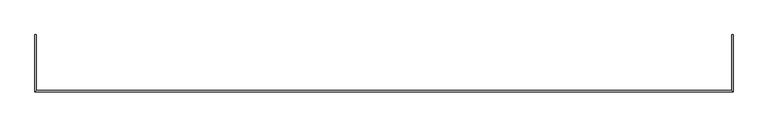
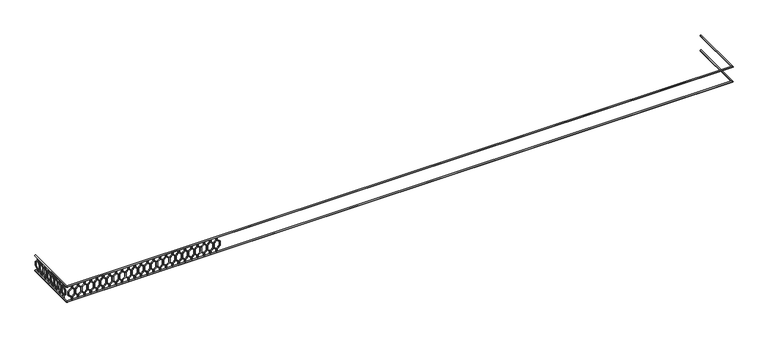
"""IFC4 building model written with IfcOpenShell, lengths in millimetres: railing geometry."""

from ifc_helpers import new_model, si_unit, frame, origin, place, context, project, spatial, polyline, circle_curve, ellipse_curve, outline, extrude, source, transform, mapped, element, save
from ifc_brep_helpers import plane_surface, cylinder_surface, advanced_brep


def railing_7cd9ae68(model_context):
    return source(origin(), model_context, "Body", "SolidModel", [
        advanced_brep(
        [(42720.0112841, -15016.8920513, 28882.5128869), (42760.0112841, -15016.8920513, 28882.5128869), (42760.0112841, -16756.8920513, 28882.5128869), (42720.0112841, -16716.8920513, 28882.5128869), (21560.0112841, -16756.8920513, 28882.5128869), (21600.0112841, -16716.8920513, 28882.5128869), (21600.0112841, -15016.8920513, 28882.5128869), (21560.0112841, -15016.8920513, 28882.5128869)],
        [
            (0, 1, circle_curve(frame((42740.0112841, -15016.8920513, 28882.5128869), z_axis=(0.0, 1.0, 0.0), x_axis=(1.0, 0.0, 0.0)), 20.0)),
            (1, 0, circle_curve(frame((42740.0112841, -15016.8920513, 28882.5128869), z_axis=(0.0, 1.0, 0.0), x_axis=(1.0, 0.0, 0.0)), 20.0)),
            (1, 2),
            (2, 3, ellipse_curve(frame((42740.0112841, -16736.8920513, 28882.5128869), z_axis=(0.7071067811865464, 0.7071067811865487, 0.0), x_axis=(-0.7071067811865487, 0.7071067811865464, 0.0)), 28.2842712, 20.0)),
            (3, 0),
            (3, 2, ellipse_curve(frame((42740.0112841, -16736.8920513, 28882.5128869), z_axis=(0.7071067811865464, 0.7071067811865487, 0.0), x_axis=(-0.7071067811865487, 0.7071067811865464, 0.0)), 28.2842712, 20.0)),
            (2, 4),
            (4, 5, ellipse_curve(frame((21580.0112841, -16736.8920513, 28882.5128869), z_axis=(0.7071067811865496, -0.7071067811865455, 0.0), x_axis=(0.7071067811865455, 0.7071067811865496, 0.0)), 28.2842712, 20.0)),
            (5, 3),
            (5, 4, ellipse_curve(frame((21580.0112841, -16736.8920513, 28882.5128869), z_axis=(0.7071067811865496, -0.7071067811865455, 0.0), x_axis=(0.7071067811865455, 0.7071067811865496, 0.0)), 28.2842712, 20.0)),
            (6, 7, circle_curve(frame((21580.0112841, -15016.8920513, 28882.5128869), z_axis=(0.0, 1.0, 0.0), x_axis=(-1.0, 0.0, 0.0)), 20.0)),
            (7, 6, circle_curve(frame((21580.0112841, -15016.8920513, 28882.5128869), z_axis=(0.0, 1.0, 0.0), x_axis=(-1.0, 0.0, 0.0)), 20.0)),
            (4, 7),
            (6, 5),
        ],
        [
            plane_surface(frame((42740.0112841, -15016.8920513, 28902.5128869), z_axis=(0.0, 1.0, 0.0), x_axis=(0.0, 0.0, -1.0))),
            cylinder_surface(frame((42740.0112841, -15016.8920513, 28882.5128869), z_axis=(0.0, 1.0, 0.0), x_axis=(1.0, 0.0, 0.0)), 20.0),
            cylinder_surface(frame((42740.0112841, -16736.8920513, 28882.5128869), z_axis=(1.0, 0.0, 0.0), x_axis=(0.0, -1.0, 0.0)), 20.0),
            plane_surface(frame((21580.0112841, -15016.8920513, 28902.5128869), z_axis=(0.0, 1.0, 0.0), x_axis=(0.0, 0.0, 1.0))),
            cylinder_surface(frame((21580.0112841, -16736.8920513, 28882.5128869), z_axis=(0.0, -1.0, 0.0), x_axis=(-1.0, 0.0, 0.0)), 20.0),
        ],
        [
            (0, [[1, 2]]),
            (1, [[-2, 3, 4, 5]]),
            (1, [[-1, -5, 6, -3]]),
            (2, [[-4, 7, 8, 9]]),
            (2, [[-6, -9, 10, -7]]),
            (3, [[11, 12]]),
            (4, [[-8, 13, -11, 14]]),
            (4, [[-10, -14, -12, -13]]),
        ],
    ),
        advanced_brep(
        [(42720.0112841, -15016.8920513, 28382.5128869), (42760.0112841, -15016.8920513, 28382.5128869), (42760.0112841, -16756.8920513, 28382.5128869), (42720.0112841, -16716.8920513, 28382.5128869), (21560.0112841, -16756.8920513, 28382.5128869), (21600.0112841, -16716.8920513, 28382.5128869), (21600.0112841, -15016.8920513, 28382.5128869), (21560.0112841, -15016.8920513, 28382.5128869)],
        [
            (0, 1, circle_curve(frame((42740.0112841, -15016.8920513, 28382.5128869), z_axis=(0.0, 1.0, 0.0), x_axis=(1.0, 0.0, 0.0)), 20.0)),
            (1, 0, circle_curve(frame((42740.0112841, -15016.8920513, 28382.5128869), z_axis=(0.0, 1.0, 0.0), x_axis=(1.0, 0.0, 0.0)), 20.0)),
            (1, 2),
            (2, 3, ellipse_curve(frame((42740.0112841, -16736.8920513, 28382.5128869), z_axis=(0.7071067811865464, 0.7071067811865487, 0.0), x_axis=(-0.7071067811865487, 0.7071067811865464, 0.0)), 28.2842712, 20.0)),
            (3, 0),
            (3, 2, ellipse_curve(frame((42740.0112841, -16736.8920513, 28382.5128869), z_axis=(0.7071067811865464, 0.7071067811865487, 0.0), x_axis=(-0.7071067811865487, 0.7071067811865464, 0.0)), 28.2842712, 20.0)),
            (2, 4),
            (4, 5, ellipse_curve(frame((21580.0112841, -16736.8920513, 28382.5128869), z_axis=(0.7071067811865496, -0.7071067811865455, 0.0), x_axis=(0.7071067811865455, 0.7071067811865496, 0.0)), 28.2842712, 20.0)),
            (5, 3),
            (5, 4, ellipse_curve(frame((21580.0112841, -16736.8920513, 28382.5128869), z_axis=(0.7071067811865496, -0.7071067811865455, 0.0), x_axis=(0.7071067811865455, 0.7071067811865496, 0.0)), 28.2842712, 20.0)),
            (6, 7, circle_curve(frame((21580.0112841, -15016.8920513, 28382.5128869), z_axis=(0.0, 1.0, 0.0), x_axis=(-1.0, 0.0, 0.0)), 20.0)),
            (7, 6, circle_curve(frame((21580.0112841, -15016.8920513, 28382.5128869), z_axis=(0.0, 1.0, 0.0), x_axis=(-1.0, 0.0, 0.0)), 20.0)),
            (4, 7),
            (6, 5),
        ],
        [
            plane_surface(frame((42740.0112841, -15016.8920513, 28402.5128869), z_axis=(0.0, 1.0, 0.0), x_axis=(0.0, 0.0, -1.0))),
            cylinder_surface(frame((42740.0112841, -15016.8920513, 28382.5128869), z_axis=(0.0, 1.0, 0.0), x_axis=(1.0, 0.0, 0.0)), 20.0),
            cylinder_surface(frame((42740.0112841, -16736.8920513, 28382.5128869), z_axis=(1.0, 0.0, 0.0), x_axis=(0.0, -1.0, 0.0)), 20.0),
            plane_surface(frame((21580.0112841, -15016.8920513, 28402.5128869), z_axis=(0.0, 1.0, 0.0), x_axis=(0.0, 0.0, 1.0))),
            cylinder_surface(frame((21580.0112841, -16736.8920513, 28382.5128869), z_axis=(0.0, -1.0, 0.0), x_axis=(-1.0, 0.0, 0.0)), 20.0),
        ],
        [
            (0, [[1, 2]]),
            (1, [[-2, 3, 4, 5]]),
            (1, [[-1, -5, 6, -3]]),
            (2, [[-4, 7, 8, 9]]),
            (2, [[-6, -9, 10, -7]]),
            (3, [[11, 12]]),
            (4, [[-8, 13, -11, 14]]),
            (4, [[-10, -14, -12, -13]]),
        ],
    ),
        extrude(outline(polyline([(-15141.8920513, 28862.5128869), (-15121.8920513, 28862.5128869), (-15121.8920513, 28782.5128869), (-15022.897102, 28702.5128869), (-15022.897102, 28562.5128869), (-15121.8920513, 28482.5128869), (-15121.8920513, 28402.5128869), (-15141.8920513, 28402.5128869), (-15141.8920513, 28492.0647319), (-15042.897102, 28572.0647319), (-15042.897102, 28692.9610419), (-15141.8920513, 28772.9610419), (-15141.8920513, 28862.5128869)])), frame((21575.0112841, 0.0, 0.0), z_axis=(1.0, 0.0, 0.0), x_axis=(0.0, 1.0, 0.0)), (0.0, 0.0, 1.0), 20.0),
        extrude(outline(polyline([(-15141.8920513, 28862.5128869), (-15141.8920513, 28772.9610419), (-15240.8870007, 28692.9610419), (-15240.8870007, 28572.0647319), (-15141.8920513, 28492.0647319), (-15141.8920513, 28402.5128869), (-15161.8920513, 28402.5128869), (-15161.8920513, 28482.5128869), (-15260.8870007, 28562.5128869), (-15260.8870007, 28702.5128869), (-15161.8920513, 28782.5128869), (-15161.8920513, 28862.5128869), (-15141.8920513, 28862.5128869)])), frame((21575.0112841, 0.0, 0.0), z_axis=(1.0, 0.0, 0.0), x_axis=(0.0, 1.0, 0.0)), (0.0, 0.0, 1.0), 20.0),
        extrude(outline(polyline([(-15341.8920513, 28862.5128869), (-15321.8920513, 28862.5128869), (-15321.8920513, 28782.5128869), (-15222.897102, 28702.5128869), (-15222.897102, 28562.5128869), (-15321.8920513, 28482.5128869), (-15321.8920513, 28402.5128869), (-15341.8920513, 28402.5128869), (-15341.8920513, 28492.0647319), (-15242.897102, 28572.0647319), (-15242.897102, 28692.9610419), (-15341.8920513, 28772.9610419), (-15341.8920513, 28862.5128869)])), frame((21575.0112841, 0.0, 0.0), z_axis=(1.0, 0.0, 0.0), x_axis=(0.0, 1.0, 0.0)), (0.0, 0.0, 1.0), 20.0),
        extrude(outline(polyline([(-15341.8920513, 28862.5128869), (-15341.8920513, 28772.9610419), (-15440.8870007, 28692.9610419), (-15440.8870007, 28572.0647319), (-15341.8920513, 28492.0647319), (-15341.8920513, 28402.5128869), (-15361.8920513, 28402.5128869), (-15361.8920513, 28482.5128869), (-15460.8870007, 28562.5128869), (-15460.8870007, 28702.5128869), (-15361.8920513, 28782.5128869), (-15361.8920513, 28862.5128869), (-15341.8920513, 28862.5128869)])), frame((21575.0112841, 0.0, 0.0), z_axis=(1.0, 0.0, 0.0), x_axis=(0.0, 1.0, 0.0)), (0.0, 0.0, 1.0), 20.0),
        extrude(outline(polyline([(-15541.8920513, 28862.5128869), (-15521.8920513, 28862.5128869), (-15521.8920513, 28782.5128869), (-15422.897102, 28702.5128869), (-15422.897102, 28562.5128869), (-15521.8920513, 28482.5128869), (-15521.8920513, 28402.5128869), (-15541.8920513, 28402.5128869), (-15541.8920513, 28492.0647319), (-15442.897102, 28572.0647319), (-15442.897102, 28692.9610419), (-15541.8920513, 28772.9610419), (-15541.8920513, 28862.5128869)])), frame((21575.0112841, 0.0, 0.0), z_axis=(1.0, 0.0, 0.0), x_axis=(0.0, 1.0, 0.0)), (0.0, 0.0, 1.0), 20.0),
        extrude(outline(polyline([(-15541.8920513, 28862.5128869), (-15541.8920513, 28772.9610419), (-15640.8870007, 28692.9610419), (-15640.8870007, 28572.0647319), (-15541.8920513, 28492.0647319), (-15541.8920513, 28402.5128869), (-15561.8920513, 28402.5128869), (-15561.8920513, 28482.5128869), (-15660.8870007, 28562.5128869), (-15660.8870007, 28702.5128869), (-15561.8920513, 28782.5128869), (-15561.8920513, 28862.5128869), (-15541.8920513, 28862.5128869)])), frame((21575.0112841, 0.0, 0.0), z_axis=(1.0, 0.0, 0.0), x_axis=(0.0, 1.0, 0.0)), (0.0, 0.0, 1.0), 20.0),
        extrude(outline(polyline([(-15741.8920513, 28862.5128869), (-15721.8920513, 28862.5128869), (-15721.8920513, 28782.5128869), (-15622.897102, 28702.5128869), (-15622.897102, 28562.5128869), (-15721.8920513, 28482.5128869), (-15721.8920513, 28402.5128869), (-15741.8920513, 28402.5128869), (-15741.8920513, 28492.0647319), (-15642.897102, 28572.0647319), (-15642.897102, 28692.9610419), (-15741.8920513, 28772.9610419), (-15741.8920513, 28862.5128869)])), frame((21575.0112841, 0.0, 0.0), z_axis=(1.0, 0.0, 0.0), x_axis=(0.0, 1.0, 0.0)), (0.0, 0.0, 1.0), 20.0),
        extrude(outline(polyline([(-15741.8920513, 28862.5128869), (-15741.8920513, 28772.9610419), (-15840.8870007, 28692.9610419), (-15840.8870007, 28572.0647319), (-15741.8920513, 28492.0647319), (-15741.8920513, 28402.5128869), (-15761.8920513, 28402.5128869), (-15761.8920513, 28482.5128869), (-15860.8870007, 28562.5128869), (-15860.8870007, 28702.5128869), (-15761.8920513, 28782.5128869), (-15761.8920513, 28862.5128869), (-15741.8920513, 28862.5128869)])), frame((21575.0112841, 0.0, 0.0), z_axis=(1.0, 0.0, 0.0), x_axis=(0.0, 1.0, 0.0)), (0.0, 0.0, 1.0), 20.0),
        extrude(outline(polyline([(-15941.8920513, 28862.5128869), (-15921.8920513, 28862.5128869), (-15921.8920513, 28782.5128869), (-15822.897102, 28702.5128869), (-15822.897102, 28562.5128869), (-15921.8920513, 28482.5128869), (-15921.8920513, 28402.5128869), (-15941.8920513, 28402.5128869), (-15941.8920513, 28492.0647319), (-15842.897102, 28572.0647319), (-15842.897102, 28692.9610419), (-15941.8920513, 28772.9610419), (-15941.8920513, 28862.5128869)])), frame((21575.0112841, 0.0, 0.0), z_axis=(1.0, 0.0, 0.0), x_axis=(0.0, 1.0, 0.0)), (0.0, 0.0, 1.0), 20.0),
        extrude(outline(polyline([(-15941.8920513, 28862.5128869), (-15941.8920513, 28772.9610419), (-16040.8870007, 28692.9610419), (-16040.8870007, 28572.0647319), (-15941.8920513, 28492.0647319), (-15941.8920513, 28402.5128869), (-15961.8920513, 28402.5128869), (-15961.8920513, 28482.5128869), (-16060.8870007, 28562.5128869), (-16060.8870007, 28702.5128869), (-15961.8920513, 28782.5128869), (-15961.8920513, 28862.5128869), (-15941.8920513, 28862.5128869)])), frame((21575.0112841, 0.0, 0.0), z_axis=(1.0, 0.0, 0.0), x_axis=(0.0, 1.0, 0.0)), (0.0, 0.0, 1.0), 20.0),
        extrude(outline(polyline([(-16141.8920513, 28862.5128869), (-16121.8920513, 28862.5128869), (-16121.8920513, 28782.5128869), (-16022.897102, 28702.5128869), (-16022.897102, 28562.5128869), (-16121.8920513, 28482.5128869), (-16121.8920513, 28402.5128869), (-16141.8920513, 28402.5128869), (-16141.8920513, 28492.0647319), (-16042.897102, 28572.0647319), (-16042.897102, 28692.9610419), (-16141.8920513, 28772.9610419), (-16141.8920513, 28862.5128869)])), frame((21575.0112841, 0.0, 0.0), z_axis=(1.0, 0.0, 0.0), x_axis=(0.0, 1.0, 0.0)), (0.0, 0.0, 1.0), 20.0),
        extrude(outline(polyline([(-16141.8920513, 28862.5128869), (-16141.8920513, 28772.9610419), (-16240.8870007, 28692.9610419), (-16240.8870007, 28572.0647319), (-16141.8920513, 28492.0647319), (-16141.8920513, 28402.5128869), (-16161.8920513, 28402.5128869), (-16161.8920513, 28482.5128869), (-16260.8870007, 28562.5128869), (-16260.8870007, 28702.5128869), (-16161.8920513, 28782.5128869), (-16161.8920513, 28862.5128869), (-16141.8920513, 28862.5128869)])), frame((21575.0112841, 0.0, 0.0), z_axis=(1.0, 0.0, 0.0), x_axis=(0.0, 1.0, 0.0)), (0.0, 0.0, 1.0), 20.0),
        extrude(outline(polyline([(-16341.8920513, 28862.5128869), (-16321.8920513, 28862.5128869), (-16321.8920513, 28782.5128869), (-16222.897102, 28702.5128869), (-16222.897102, 28562.5128869), (-16321.8920513, 28482.5128869), (-16321.8920513, 28402.5128869), (-16341.8920513, 28402.5128869), (-16341.8920513, 28492.0647319), (-16242.897102, 28572.0647319), (-16242.897102, 28692.9610419), (-16341.8920513, 28772.9610419), (-16341.8920513, 28862.5128869)])), frame((21575.0112841, 0.0, 0.0), z_axis=(1.0, 0.0, 0.0), x_axis=(0.0, 1.0, 0.0)), (0.0, 0.0, 1.0), 20.0),
        extrude(outline(polyline([(-16341.8920513, 28862.5128869), (-16341.8920513, 28772.9610419), (-16440.8870007, 28692.9610419), (-16440.8870007, 28572.0647319), (-16341.8920513, 28492.0647319), (-16341.8920513, 28402.5128869), (-16361.8920513, 28402.5128869), (-16361.8920513, 28482.5128869), (-16460.8870007, 28562.5128869), (-16460.8870007, 28702.5128869), (-16361.8920513, 28782.5128869), (-16361.8920513, 28862.5128869), (-16341.8920513, 28862.5128869)])), frame((21575.0112841, 0.0, 0.0), z_axis=(1.0, 0.0, 0.0), x_axis=(0.0, 1.0, 0.0)), (0.0, 0.0, 1.0), 20.0),
        extrude(outline(polyline([(-16541.8920513, 28862.5128869), (-16521.8920513, 28862.5128869), (-16521.8920513, 28782.5128869), (-16422.897102, 28702.5128869), (-16422.897102, 28562.5128869), (-16521.8920513, 28482.5128869), (-16521.8920513, 28402.5128869), (-16541.8920513, 28402.5128869), (-16541.8920513, 28492.0647319), (-16442.897102, 28572.0647319), (-16442.897102, 28692.9610419), (-16541.8920513, 28772.9610419), (-16541.8920513, 28862.5128869)])), frame((21575.0112841, 0.0, 0.0), z_axis=(1.0, 0.0, 0.0), x_axis=(0.0, 1.0, 0.0)), (0.0, 0.0, 1.0), 20.0),
        extrude(outline(polyline([(-16541.8920513, 28862.5128869), (-16541.8920513, 28772.9610419), (-16640.8870007, 28692.9610419), (-16640.8870007, 28572.0647319), (-16541.8920513, 28492.0647319), (-16541.8920513, 28402.5128869), (-16561.8920513, 28402.5128869), (-16561.8920513, 28482.5128869), (-16660.8870007, 28562.5128869), (-16660.8870007, 28702.5128869), (-16561.8920513, 28782.5128869), (-16561.8920513, 28862.5128869), (-16541.8920513, 28862.5128869)])), frame((21575.0112841, 0.0, 0.0), z_axis=(1.0, 0.0, 0.0), x_axis=(0.0, 1.0, 0.0)), (0.0, 0.0, 1.0), 20.0),
        extrude(outline(polyline([(28862.5128869, 21745.0112841), (28862.5128869, 21725.0112841), (28782.5128869, 21725.0112841), (28702.5128869, 21626.0163347), (28562.5128869, 21626.0163347), (28482.5128869, 21725.0112841), (28402.5128869, 21725.0112841), (28402.5128869, 21745.0112841), (28492.0647319, 21745.0112841), (28572.0647319, 21646.0163347), (28692.9610419, 21646.0163347), (28772.9610419, 21745.0112841), (28862.5128869, 21745.0112841)])), frame((0.0, -16741.8920513, 0.0), z_axis=(0.0, 1.0, 0.0), x_axis=(0.0, 0.0, 1.0)), (0.0, 0.0, 1.0), 20.0),
        extrude(outline(polyline([(28862.5128869, 21745.0112841), (28772.9610419, 21745.0112841), (28692.9610419, 21844.0062335), (28572.0647319, 21844.0062335), (28492.0647319, 21745.0112841), (28402.5128869, 21745.0112841), (28402.5128869, 21765.0112841), (28482.5128869, 21765.0112841), (28562.5128869, 21864.0062335), (28702.5128869, 21864.0062335), (28782.5128869, 21765.0112841), (28862.5128869, 21765.0112841), (28862.5128869, 21745.0112841)])), frame((0.0, -16741.8920513, 0.0), z_axis=(0.0, 1.0, 0.0), x_axis=(0.0, 0.0, 1.0)), (0.0, 0.0, 1.0), 20.0),
        extrude(outline(polyline([(28862.5128869, 21945.0112841), (28862.5128869, 21925.0112841), (28782.5128869, 21925.0112841), (28702.5128869, 21826.0163347), (28562.5128869, 21826.0163347), (28482.5128869, 21925.0112841), (28402.5128869, 21925.0112841), (28402.5128869, 21945.0112841), (28492.0647319, 21945.0112841), (28572.0647319, 21846.0163347), (28692.9610419, 21846.0163347), (28772.9610419, 21945.0112841), (28862.5128869, 21945.0112841)])), frame((0.0, -16741.8920513, 0.0), z_axis=(0.0, 1.0, 0.0), x_axis=(0.0, 0.0, 1.0)), (0.0, 0.0, 1.0), 20.0),
        extrude(outline(polyline([(28862.5128869, 21945.0112841), (28772.9610419, 21945.0112841), (28692.9610419, 22044.0062335), (28572.0647319, 22044.0062335), (28492.0647319, 21945.0112841), (28402.5128869, 21945.0112841), (28402.5128869, 21965.0112841), (28482.5128869, 21965.0112841), (28562.5128869, 22064.0062335), (28702.5128869, 22064.0062335), (28782.5128869, 21965.0112841), (28862.5128869, 21965.0112841), (28862.5128869, 21945.0112841)])), frame((0.0, -16741.8920513, 0.0), z_axis=(0.0, 1.0, 0.0), x_axis=(0.0, 0.0, 1.0)), (0.0, 0.0, 1.0), 20.0),
        extrude(outline(polyline([(28862.5128869, 22145.0112841), (28862.5128869, 22125.0112841), (28782.5128869, 22125.0112841), (28702.5128869, 22026.0163347), (28562.5128869, 22026.0163347), (28482.5128869, 22125.0112841), (28402.5128869, 22125.0112841), (28402.5128869, 22145.0112841), (28492.0647319, 22145.0112841), (28572.0647319, 22046.0163347), (28692.9610419, 22046.0163347), (28772.9610419, 22145.0112841), (28862.5128869, 22145.0112841)])), frame((0.0, -16741.8920513, 0.0), z_axis=(0.0, 1.0, 0.0), x_axis=(0.0, 0.0, 1.0)), (0.0, 0.0, 1.0), 20.0),
        extrude(outline(polyline([(28862.5128869, 22145.0112841), (28772.9610419, 22145.0112841), (28692.9610419, 22244.0062335), (28572.0647319, 22244.0062335), (28492.0647319, 22145.0112841), (28402.5128869, 22145.0112841), (28402.5128869, 22165.0112841), (28482.5128869, 22165.0112841), (28562.5128869, 22264.0062335), (28702.5128869, 22264.0062335), (28782.5128869, 22165.0112841), (28862.5128869, 22165.0112841), (28862.5128869, 22145.0112841)])), frame((0.0, -16741.8920513, 0.0), z_axis=(0.0, 1.0, 0.0), x_axis=(0.0, 0.0, 1.0)), (0.0, 0.0, 1.0), 20.0),
        extrude(outline(polyline([(28862.5128869, 22345.0112841), (28862.5128869, 22325.0112841), (28782.5128869, 22325.0112841), (28702.5128869, 22226.0163347), (28562.5128869, 22226.0163347), (28482.5128869, 22325.0112841), (28402.5128869, 22325.0112841), (28402.5128869, 22345.0112841), (28492.0647319, 22345.0112841), (28572.0647319, 22246.0163347), (28692.9610419, 22246.0163347), (28772.9610419, 22345.0112841), (28862.5128869, 22345.0112841)])), frame((0.0, -16741.8920513, 0.0), z_axis=(0.0, 1.0, 0.0), x_axis=(0.0, 0.0, 1.0)), (0.0, 0.0, 1.0), 20.0),
        extrude(outline(polyline([(28862.5128869, 22345.0112841), (28772.9610419, 22345.0112841), (28692.9610419, 22444.0062335), (28572.0647319, 22444.0062335), (28492.0647319, 22345.0112841), (28402.5128869, 22345.0112841), (28402.5128869, 22365.0112841), (28482.5128869, 22365.0112841), (28562.5128869, 22464.0062335), (28702.5128869, 22464.0062335), (28782.5128869, 22365.0112841), (28862.5128869, 22365.0112841), (28862.5128869, 22345.0112841)])), frame((0.0, -16741.8920513, 0.0), z_axis=(0.0, 1.0, 0.0), x_axis=(0.0, 0.0, 1.0)), (0.0, 0.0, 1.0), 20.0),
        extrude(outline(polyline([(28862.5128869, 22545.0112841), (28862.5128869, 22525.0112841), (28782.5128869, 22525.0112841), (28702.5128869, 22426.0163347), (28562.5128869, 22426.0163347), (28482.5128869, 22525.0112841), (28402.5128869, 22525.0112841), (28402.5128869, 22545.0112841), (28492.0647319, 22545.0112841), (28572.0647319, 22446.0163347), (28692.9610419, 22446.0163347), (28772.9610419, 22545.0112841), (28862.5128869, 22545.0112841)])), frame((0.0, -16741.8920513, 0.0), z_axis=(0.0, 1.0, 0.0), x_axis=(0.0, 0.0, 1.0)), (0.0, 0.0, 1.0), 20.0),
        extrude(outline(polyline([(28862.5128869, 22545.0112841), (28772.9610419, 22545.0112841), (28692.9610419, 22644.0062335), (28572.0647319, 22644.0062335), (28492.0647319, 22545.0112841), (28402.5128869, 22545.0112841), (28402.5128869, 22565.0112841), (28482.5128869, 22565.0112841), (28562.5128869, 22664.0062335), (28702.5128869, 22664.0062335), (28782.5128869, 22565.0112841), (28862.5128869, 22565.0112841), (28862.5128869, 22545.0112841)])), frame((0.0, -16741.8920513, 0.0), z_axis=(0.0, 1.0, 0.0), x_axis=(0.0, 0.0, 1.0)), (0.0, 0.0, 1.0), 20.0),
        extrude(outline(polyline([(28862.5128869, 22745.0112841), (28862.5128869, 22725.0112841), (28782.5128869, 22725.0112841), (28702.5128869, 22626.0163347), (28562.5128869, 22626.0163347), (28482.5128869, 22725.0112841), (28402.5128869, 22725.0112841), (28402.5128869, 22745.0112841), (28492.0647319, 22745.0112841), (28572.0647319, 22646.0163347), (28692.9610419, 22646.0163347), (28772.9610419, 22745.0112841), (28862.5128869, 22745.0112841)])), frame((0.0, -16741.8920513, 0.0), z_axis=(0.0, 1.0, 0.0), x_axis=(0.0, 0.0, 1.0)), (0.0, 0.0, 1.0), 20.0),
        extrude(outline(polyline([(28862.5128869, 22745.0112841), (28772.9610419, 22745.0112841), (28692.9610419, 22844.0062335), (28572.0647319, 22844.0062335), (28492.0647319, 22745.0112841), (28402.5128869, 22745.0112841), (28402.5128869, 22765.0112841), (28482.5128869, 22765.0112841), (28562.5128869, 22864.0062335), (28702.5128869, 22864.0062335), (28782.5128869, 22765.0112841), (28862.5128869, 22765.0112841), (28862.5128869, 22745.0112841)])), frame((0.0, -16741.8920513, 0.0), z_axis=(0.0, 1.0, 0.0), x_axis=(0.0, 0.0, 1.0)), (0.0, 0.0, 1.0), 20.0),
        extrude(outline(polyline([(28862.5128869, 22945.0112841), (28862.5128869, 22925.0112841), (28782.5128869, 22925.0112841), (28702.5128869, 22826.0163347), (28562.5128869, 22826.0163347), (28482.5128869, 22925.0112841), (28402.5128869, 22925.0112841), (28402.5128869, 22945.0112841), (28492.0647319, 22945.0112841), (28572.0647319, 22846.0163347), (28692.9610419, 22846.0163347), (28772.9610419, 22945.0112841), (28862.5128869, 22945.0112841)])), frame((0.0, -16741.8920513, 0.0), z_axis=(0.0, 1.0, 0.0), x_axis=(0.0, 0.0, 1.0)), (0.0, 0.0, 1.0), 20.0),
        extrude(outline(polyline([(28862.5128869, 22945.0112841), (28772.9610419, 22945.0112841), (28692.9610419, 23044.0062335), (28572.0647319, 23044.0062335), (28492.0647319, 22945.0112841), (28402.5128869, 22945.0112841), (28402.5128869, 22965.0112841), (28482.5128869, 22965.0112841), (28562.5128869, 23064.0062335), (28702.5128869, 23064.0062335), (28782.5128869, 22965.0112841), (28862.5128869, 22965.0112841), (28862.5128869, 22945.0112841)])), frame((0.0, -16741.8920513, 0.0), z_axis=(0.0, 1.0, 0.0), x_axis=(0.0, 0.0, 1.0)), (0.0, 0.0, 1.0), 20.0),
        extrude(outline(polyline([(28862.5128869, 23145.0112841), (28862.5128869, 23125.0112841), (28782.5128869, 23125.0112841), (28702.5128869, 23026.0163347), (28562.5128869, 23026.0163347), (28482.5128869, 23125.0112841), (28402.5128869, 23125.0112841), (28402.5128869, 23145.0112841), (28492.0647319, 23145.0112841), (28572.0647319, 23046.0163347), (28692.9610419, 23046.0163347), (28772.9610419, 23145.0112841), (28862.5128869, 23145.0112841)])), frame((0.0, -16741.8920513, 0.0), z_axis=(0.0, 1.0, 0.0), x_axis=(0.0, 0.0, 1.0)), (0.0, 0.0, 1.0), 20.0),
        extrude(outline(polyline([(28862.5128869, 23145.0112841), (28772.9610419, 23145.0112841), (28692.9610419, 23244.0062335), (28572.0647319, 23244.0062335), (28492.0647319, 23145.0112841), (28402.5128869, 23145.0112841), (28402.5128869, 23165.0112841), (28482.5128869, 23165.0112841), (28562.5128869, 23264.0062335), (28702.5128869, 23264.0062335), (28782.5128869, 23165.0112841), (28862.5128869, 23165.0112841), (28862.5128869, 23145.0112841)])), frame((0.0, -16741.8920513, 0.0), z_axis=(0.0, 1.0, 0.0), x_axis=(0.0, 0.0, 1.0)), (0.0, 0.0, 1.0), 20.0),
        extrude(outline(polyline([(28862.5128869, 23345.0112841), (28862.5128869, 23325.0112841), (28782.5128869, 23325.0112841), (28702.5128869, 23226.0163347), (28562.5128869, 23226.0163347), (28482.5128869, 23325.0112841), (28402.5128869, 23325.0112841), (28402.5128869, 23345.0112841), (28492.0647319, 23345.0112841), (28572.0647319, 23246.0163347), (28692.9610419, 23246.0163347), (28772.9610419, 23345.0112841), (28862.5128869, 23345.0112841)])), frame((0.0, -16741.8920513, 0.0), z_axis=(0.0, 1.0, 0.0), x_axis=(0.0, 0.0, 1.0)), (0.0, 0.0, 1.0), 20.0),
        extrude(outline(polyline([(28862.5128869, 23345.0112841), (28772.9610419, 23345.0112841), (28692.9610419, 23444.0062335), (28572.0647319, 23444.0062335), (28492.0647319, 23345.0112841), (28402.5128869, 23345.0112841), (28402.5128869, 23365.0112841), (28482.5128869, 23365.0112841), (28562.5128869, 23464.0062335), (28702.5128869, 23464.0062335), (28782.5128869, 23365.0112841), (28862.5128869, 23365.0112841), (28862.5128869, 23345.0112841)])), frame((0.0, -16741.8920513, 0.0), z_axis=(0.0, 1.0, 0.0), x_axis=(0.0, 0.0, 1.0)), (0.0, 0.0, 1.0), 20.0),
        extrude(outline(polyline([(28862.5128869, 23545.0112841), (28862.5128869, 23525.0112841), (28782.5128869, 23525.0112841), (28702.5128869, 23426.0163347), (28562.5128869, 23426.0163347), (28482.5128869, 23525.0112841), (28402.5128869, 23525.0112841), (28402.5128869, 23545.0112841), (28492.0647319, 23545.0112841), (28572.0647319, 23446.0163347), (28692.9610419, 23446.0163347), (28772.9610419, 23545.0112841), (28862.5128869, 23545.0112841)])), frame((0.0, -16741.8920513, 0.0), z_axis=(0.0, 1.0, 0.0), x_axis=(0.0, 0.0, 1.0)), (0.0, 0.0, 1.0), 20.0),
        extrude(outline(polyline([(28862.5128869, 23545.0112841), (28772.9610419, 23545.0112841), (28692.9610419, 23644.0062335), (28572.0647319, 23644.0062335), (28492.0647319, 23545.0112841), (28402.5128869, 23545.0112841), (28402.5128869, 23565.0112841), (28482.5128869, 23565.0112841), (28562.5128869, 23664.0062335), (28702.5128869, 23664.0062335), (28782.5128869, 23565.0112841), (28862.5128869, 23565.0112841), (28862.5128869, 23545.0112841)])), frame((0.0, -16741.8920513, 0.0), z_axis=(0.0, 1.0, 0.0), x_axis=(0.0, 0.0, 1.0)), (0.0, 0.0, 1.0), 20.0),
        extrude(outline(polyline([(28862.5128869, 23745.0112841), (28862.5128869, 23725.0112841), (28782.5128869, 23725.0112841), (28702.5128869, 23626.0163347), (28562.5128869, 23626.0163347), (28482.5128869, 23725.0112841), (28402.5128869, 23725.0112841), (28402.5128869, 23745.0112841), (28492.0647319, 23745.0112841), (28572.0647319, 23646.0163347), (28692.9610419, 23646.0163347), (28772.9610419, 23745.0112841), (28862.5128869, 23745.0112841)])), frame((0.0, -16741.8920513, 0.0), z_axis=(0.0, 1.0, 0.0), x_axis=(0.0, 0.0, 1.0)), (0.0, 0.0, 1.0), 20.0),
        extrude(outline(polyline([(28862.5128869, 23745.0112841), (28772.9610419, 23745.0112841), (28692.9610419, 23844.0062335), (28572.0647319, 23844.0062335), (28492.0647319, 23745.0112841), (28402.5128869, 23745.0112841), (28402.5128869, 23765.0112841), (28482.5128869, 23765.0112841), (28562.5128869, 23864.0062335), (28702.5128869, 23864.0062335), (28782.5128869, 23765.0112841), (28862.5128869, 23765.0112841), (28862.5128869, 23745.0112841)])), frame((0.0, -16741.8920513, 0.0), z_axis=(0.0, 1.0, 0.0), x_axis=(0.0, 0.0, 1.0)), (0.0, 0.0, 1.0), 20.0),
        extrude(outline(polyline([(28862.5128869, 23945.0112841), (28862.5128869, 23925.0112841), (28782.5128869, 23925.0112841), (28702.5128869, 23826.0163347), (28562.5128869, 23826.0163347), (28482.5128869, 23925.0112841), (28402.5128869, 23925.0112841), (28402.5128869, 23945.0112841), (28492.0647319, 23945.0112841), (28572.0647319, 23846.0163347), (28692.9610419, 23846.0163347), (28772.9610419, 23945.0112841), (28862.5128869, 23945.0112841)])), frame((0.0, -16741.8920513, 0.0), z_axis=(0.0, 1.0, 0.0), x_axis=(0.0, 0.0, 1.0)), (0.0, 0.0, 1.0), 20.0),
        extrude(outline(polyline([(28862.5128869, 23945.0112841), (28772.9610419, 23945.0112841), (28692.9610419, 24044.0062335), (28572.0647319, 24044.0062335), (28492.0647319, 23945.0112841), (28402.5128869, 23945.0112841), (28402.5128869, 23965.0112841), (28482.5128869, 23965.0112841), (28562.5128869, 24064.0062335), (28702.5128869, 24064.0062335), (28782.5128869, 23965.0112841), (28862.5128869, 23965.0112841), (28862.5128869, 23945.0112841)])), frame((0.0, -16741.8920513, 0.0), z_axis=(0.0, 1.0, 0.0), x_axis=(0.0, 0.0, 1.0)), (0.0, 0.0, 1.0), 20.0),
        extrude(outline(polyline([(28862.5128869, 24145.0112841), (28862.5128869, 24125.0112841), (28782.5128869, 24125.0112841), (28702.5128869, 24026.0163347), (28562.5128869, 24026.0163347), (28482.5128869, 24125.0112841), (28402.5128869, 24125.0112841), (28402.5128869, 24145.0112841), (28492.0647319, 24145.0112841), (28572.0647319, 24046.0163347), (28692.9610419, 24046.0163347), (28772.9610419, 24145.0112841), (28862.5128869, 24145.0112841)])), frame((0.0, -16741.8920513, 0.0), z_axis=(0.0, 1.0, 0.0), x_axis=(0.0, 0.0, 1.0)), (0.0, 0.0, 1.0), 20.0),
        extrude(outline(polyline([(28862.5128869, 24145.0112841), (28772.9610419, 24145.0112841), (28692.9610419, 24244.0062335), (28572.0647319, 24244.0062335), (28492.0647319, 24145.0112841), (28402.5128869, 24145.0112841), (28402.5128869, 24165.0112841), (28482.5128869, 24165.0112841), (28562.5128869, 24264.0062335), (28702.5128869, 24264.0062335), (28782.5128869, 24165.0112841), (28862.5128869, 24165.0112841), (28862.5128869, 24145.0112841)])), frame((0.0, -16741.8920513, 0.0), z_axis=(0.0, 1.0, 0.0), x_axis=(0.0, 0.0, 1.0)), (0.0, 0.0, 1.0), 20.0),
        extrude(outline(polyline([(28862.5128869, 24345.0112841), (28862.5128869, 24325.0112841), (28782.5128869, 24325.0112841), (28702.5128869, 24226.0163347), (28562.5128869, 24226.0163347), (28482.5128869, 24325.0112841), (28402.5128869, 24325.0112841), (28402.5128869, 24345.0112841), (28492.0647319, 24345.0112841), (28572.0647319, 24246.0163347), (28692.9610419, 24246.0163347), (28772.9610419, 24345.0112841), (28862.5128869, 24345.0112841)])), frame((0.0, -16741.8920513, 0.0), z_axis=(0.0, 1.0, 0.0), x_axis=(0.0, 0.0, 1.0)), (0.0, 0.0, 1.0), 20.0),
        extrude(outline(polyline([(28862.5128869, 24345.0112841), (28772.9610419, 24345.0112841), (28692.9610419, 24444.0062335), (28572.0647319, 24444.0062335), (28492.0647319, 24345.0112841), (28402.5128869, 24345.0112841), (28402.5128869, 24365.0112841), (28482.5128869, 24365.0112841), (28562.5128869, 24464.0062335), (28702.5128869, 24464.0062335), (28782.5128869, 24365.0112841), (28862.5128869, 24365.0112841), (28862.5128869, 24345.0112841)])), frame((0.0, -16741.8920513, 0.0), z_axis=(0.0, 1.0, 0.0), x_axis=(0.0, 0.0, 1.0)), (0.0, 0.0, 1.0), 20.0),
        extrude(outline(polyline([(28862.5128869, 24545.0112841), (28862.5128869, 24525.0112841), (28782.5128869, 24525.0112841), (28702.5128869, 24426.0163347), (28562.5128869, 24426.0163347), (28482.5128869, 24525.0112841), (28402.5128869, 24525.0112841), (28402.5128869, 24545.0112841), (28492.0647319, 24545.0112841), (28572.0647319, 24446.0163347), (28692.9610419, 24446.0163347), (28772.9610419, 24545.0112841), (28862.5128869, 24545.0112841)])), frame((0.0, -16741.8920513, 0.0), z_axis=(0.0, 1.0, 0.0), x_axis=(0.0, 0.0, 1.0)), (0.0, 0.0, 1.0), 20.0),
        extrude(outline(polyline([(28862.5128869, 24545.0112841), (28772.9610419, 24545.0112841), (28692.9610419, 24644.0062335), (28572.0647319, 24644.0062335), (28492.0647319, 24545.0112841), (28402.5128869, 24545.0112841), (28402.5128869, 24565.0112841), (28482.5128869, 24565.0112841), (28562.5128869, 24664.0062335), (28702.5128869, 24664.0062335), (28782.5128869, 24565.0112841), (28862.5128869, 24565.0112841), (28862.5128869, 24545.0112841)])), frame((0.0, -16741.8920513, 0.0), z_axis=(0.0, 1.0, 0.0), x_axis=(0.0, 0.0, 1.0)), (0.0, 0.0, 1.0), 20.0),
        extrude(outline(polyline([(28862.5128869, 24745.0112841), (28862.5128869, 24725.0112841), (28782.5128869, 24725.0112841), (28702.5128869, 24626.0163347), (28562.5128869, 24626.0163347), (28482.5128869, 24725.0112841), (28402.5128869, 24725.0112841), (28402.5128869, 24745.0112841), (28492.0647319, 24745.0112841), (28572.0647319, 24646.0163347), (28692.9610419, 24646.0163347), (28772.9610419, 24745.0112841), (28862.5128869, 24745.0112841)])), frame((0.0, -16741.8920513, 0.0), z_axis=(0.0, 1.0, 0.0), x_axis=(0.0, 0.0, 1.0)), (0.0, 0.0, 1.0), 20.0),
        extrude(outline(polyline([(28862.5128869, 24745.0112841), (28772.9610419, 24745.0112841), (28692.9610419, 24844.0062335), (28572.0647319, 24844.0062335), (28492.0647319, 24745.0112841), (28402.5128869, 24745.0112841), (28402.5128869, 24765.0112841), (28482.5128869, 24765.0112841), (28562.5128869, 24864.0062335), (28702.5128869, 24864.0062335), (28782.5128869, 24765.0112841), (28862.5128869, 24765.0112841), (28862.5128869, 24745.0112841)])), frame((0.0, -16741.8920513, 0.0), z_axis=(0.0, 1.0, 0.0), x_axis=(0.0, 0.0, 1.0)), (0.0, 0.0, 1.0), 20.0),
        extrude(outline(polyline([(28862.5128869, 24945.0112841), (28862.5128869, 24925.0112841), (28782.5128869, 24925.0112841), (28702.5128869, 24826.0163347), (28562.5128869, 24826.0163347), (28482.5128869, 24925.0112841), (28402.5128869, 24925.0112841), (28402.5128869, 24945.0112841), (28492.0647319, 24945.0112841), (28572.0647319, 24846.0163347), (28692.9610419, 24846.0163347), (28772.9610419, 24945.0112841), (28862.5128869, 24945.0112841)])), frame((0.0, -16741.8920513, 0.0), z_axis=(0.0, 1.0, 0.0), x_axis=(0.0, 0.0, 1.0)), (0.0, 0.0, 1.0), 20.0),
        extrude(outline(polyline([(28862.5128869, 24945.0112841), (28772.9610419, 24945.0112841), (28692.9610419, 25044.0062335), (28572.0647319, 25044.0062335), (28492.0647319, 24945.0112841), (28402.5128869, 24945.0112841), (28402.5128869, 24965.0112841), (28482.5128869, 24965.0112841), (28562.5128869, 25064.0062335), (28702.5128869, 25064.0062335), (28782.5128869, 24965.0112841), (28862.5128869, 24965.0112841), (28862.5128869, 24945.0112841)])), frame((0.0, -16741.8920513, 0.0), z_axis=(0.0, 1.0, 0.0), x_axis=(0.0, 0.0, 1.0)), (0.0, 0.0, 1.0), 20.0),
        extrude(outline(polyline([(28862.5128869, 25145.0112841), (28862.5128869, 25125.0112841), (28782.5128869, 25125.0112841), (28702.5128869, 25026.0163347), (28562.5128869, 25026.0163347), (28482.5128869, 25125.0112841), (28402.5128869, 25125.0112841), (28402.5128869, 25145.0112841), (28492.0647319, 25145.0112841), (28572.0647319, 25046.0163347), (28692.9610419, 25046.0163347), (28772.9610419, 25145.0112841), (28862.5128869, 25145.0112841)])), frame((0.0, -16741.8920513, 0.0), z_axis=(0.0, 1.0, 0.0), x_axis=(0.0, 0.0, 1.0)), (0.0, 0.0, 1.0), 20.0),
        extrude(outline(polyline([(28862.5128869, 25145.0112841), (28772.9610419, 25145.0112841), (28692.9610419, 25244.0062335), (28572.0647319, 25244.0062335), (28492.0647319, 25145.0112841), (28402.5128869, 25145.0112841), (28402.5128869, 25165.0112841), (28482.5128869, 25165.0112841), (28562.5128869, 25264.0062335), (28702.5128869, 25264.0062335), (28782.5128869, 25165.0112841), (28862.5128869, 25165.0112841), (28862.5128869, 25145.0112841)])), frame((0.0, -16741.8920513, 0.0), z_axis=(0.0, 1.0, 0.0), x_axis=(0.0, 0.0, 1.0)), (0.0, 0.0, 1.0), 20.0),
        extrude(outline(polyline([(28862.5128869, 25345.0112841), (28862.5128869, 25325.0112841), (28782.5128869, 25325.0112841), (28702.5128869, 25226.0163347), (28562.5128869, 25226.0163347), (28482.5128869, 25325.0112841), (28402.5128869, 25325.0112841), (28402.5128869, 25345.0112841), (28492.0647319, 25345.0112841), (28572.0647319, 25246.0163347), (28692.9610419, 25246.0163347), (28772.9610419, 25345.0112841), (28862.5128869, 25345.0112841)])), frame((0.0, -16741.8920513, 0.0), z_axis=(0.0, 1.0, 0.0), x_axis=(0.0, 0.0, 1.0)), (0.0, 0.0, 1.0), 20.0),
        extrude(outline(polyline([(28862.5128869, 25345.0112841), (28772.9610419, 25345.0112841), (28692.9610419, 25444.0062335), (28572.0647319, 25444.0062335), (28492.0647319, 25345.0112841), (28402.5128869, 25345.0112841), (28402.5128869, 25365.0112841), (28482.5128869, 25365.0112841), (28562.5128869, 25464.0062335), (28702.5128869, 25464.0062335), (28782.5128869, 25365.0112841), (28862.5128869, 25365.0112841), (28862.5128869, 25345.0112841)])), frame((0.0, -16741.8920513, 0.0), z_axis=(0.0, 1.0, 0.0), x_axis=(0.0, 0.0, 1.0)), (0.0, 0.0, 1.0), 20.0),
        extrude(outline(polyline([(28862.5128869, 25545.0112841), (28862.5128869, 25525.0112841), (28782.5128869, 25525.0112841), (28702.5128869, 25426.0163347), (28562.5128869, 25426.0163347), (28482.5128869, 25525.0112841), (28402.5128869, 25525.0112841), (28402.5128869, 25545.0112841), (28492.0647319, 25545.0112841), (28572.0647319, 25446.0163347), (28692.9610419, 25446.0163347), (28772.9610419, 25545.0112841), (28862.5128869, 25545.0112841)])), frame((0.0, -16741.8920513, 0.0), z_axis=(0.0, 1.0, 0.0), x_axis=(0.0, 0.0, 1.0)), (0.0, 0.0, 1.0), 20.0),
        extrude(outline(polyline([(28862.5128869, 25545.0112841), (28772.9610419, 25545.0112841), (28692.9610419, 25644.0062335), (28572.0647319, 25644.0062335), (28492.0647319, 25545.0112841), (28402.5128869, 25545.0112841), (28402.5128869, 25565.0112841), (28482.5128869, 25565.0112841), (28562.5128869, 25664.0062335), (28702.5128869, 25664.0062335), (28782.5128869, 25565.0112841), (28862.5128869, 25565.0112841), (28862.5128869, 25545.0112841)])), frame((0.0, -16741.8920513, 0.0), z_axis=(0.0, 1.0, 0.0), x_axis=(0.0, 0.0, 1.0)), (0.0, 0.0, 1.0), 20.0),
        extrude(outline(polyline([(28862.5128869, 25745.0112841), (28862.5128869, 25725.0112841), (28782.5128869, 25725.0112841), (28702.5128869, 25626.0163347), (28562.5128869, 25626.0163347), (28482.5128869, 25725.0112841), (28402.5128869, 25725.0112841), (28402.5128869, 25745.0112841), (28492.0647319, 25745.0112841), (28572.0647319, 25646.0163347), (28692.9610419, 25646.0163347), (28772.9610419, 25745.0112841), (28862.5128869, 25745.0112841)])), frame((0.0, -16741.8920513, 0.0), z_axis=(0.0, 1.0, 0.0), x_axis=(0.0, 0.0, 1.0)), (0.0, 0.0, 1.0), 20.0),
        extrude(outline(polyline([(28862.5128869, 25745.0112841), (28772.9610419, 25745.0112841), (28692.9610419, 25844.0062335), (28572.0647319, 25844.0062335), (28492.0647319, 25745.0112841), (28402.5128869, 25745.0112841), (28402.5128869, 25765.0112841), (28482.5128869, 25765.0112841), (28562.5128869, 25864.0062335), (28702.5128869, 25864.0062335), (28782.5128869, 25765.0112841), (28862.5128869, 25765.0112841), (28862.5128869, 25745.0112841)])), frame((0.0, -16741.8920513, 0.0), z_axis=(0.0, 1.0, 0.0), x_axis=(0.0, 0.0, 1.0)), (0.0, 0.0, 1.0), 20.0),
        extrude(outline(polyline([(28862.5128869, 25945.0112841), (28862.5128869, 25925.0112841), (28782.5128869, 25925.0112841), (28702.5128869, 25826.0163347), (28562.5128869, 25826.0163347), (28482.5128869, 25925.0112841), (28402.5128869, 25925.0112841), (28402.5128869, 25945.0112841), (28492.0647319, 25945.0112841), (28572.0647319, 25846.0163347), (28692.9610419, 25846.0163347), (28772.9610419, 25945.0112841), (28862.5128869, 25945.0112841)])), frame((0.0, -16741.8920513, 0.0), z_axis=(0.0, 1.0, 0.0), x_axis=(0.0, 0.0, 1.0)), (0.0, 0.0, 1.0), 20.0),
        extrude(outline(polyline([(28862.5128869, 25945.0112841), (28772.9610419, 25945.0112841), (28692.9610419, 26044.0062335), (28572.0647319, 26044.0062335), (28492.0647319, 25945.0112841), (28402.5128869, 25945.0112841), (28402.5128869, 25965.0112841), (28482.5128869, 25965.0112841), (28562.5128869, 26064.0062335), (28702.5128869, 26064.0062335), (28782.5128869, 25965.0112841), (28862.5128869, 25965.0112841), (28862.5128869, 25945.0112841)])), frame((0.0, -16741.8920513, 0.0), z_axis=(0.0, 1.0, 0.0), x_axis=(0.0, 0.0, 1.0)), (0.0, 0.0, 1.0), 20.0),
        extrude(outline(polyline([(28862.5128869, 26145.0112841), (28862.5128869, 26125.0112841), (28782.5128869, 26125.0112841), (28702.5128869, 26026.0163347), (28562.5128869, 26026.0163347), (28482.5128869, 26125.0112841), (28402.5128869, 26125.0112841), (28402.5128869, 26145.0112841), (28492.0647319, 26145.0112841), (28572.0647319, 26046.0163347), (28692.9610419, 26046.0163347), (28772.9610419, 26145.0112841), (28862.5128869, 26145.0112841)])), frame((0.0, -16741.8920513, 0.0), z_axis=(0.0, 1.0, 0.0), x_axis=(0.0, 0.0, 1.0)), (0.0, 0.0, 1.0), 20.0),
        extrude(outline(polyline([(28862.5128869, 26145.0112841), (28772.9610419, 26145.0112841), (28692.9610419, 26244.0062335), (28572.0647319, 26244.0062335), (28492.0647319, 26145.0112841), (28402.5128869, 26145.0112841), (28402.5128869, 26165.0112841), (28482.5128869, 26165.0112841), (28562.5128869, 26264.0062335), (28702.5128869, 26264.0062335), (28782.5128869, 26165.0112841), (28862.5128869, 26165.0112841), (28862.5128869, 26145.0112841)])), frame((0.0, -16741.8920513, 0.0), z_axis=(0.0, 1.0, 0.0), x_axis=(0.0, 0.0, 1.0)), (0.0, 0.0, 1.0), 20.0),
        extrude(outline(polyline([(28862.5128869, 26345.0112841), (28862.5128869, 26325.0112841), (28782.5128869, 26325.0112841), (28702.5128869, 26226.0163347), (28562.5128869, 26226.0163347), (28482.5128869, 26325.0112841), (28402.5128869, 26325.0112841), (28402.5128869, 26345.0112841), (28492.0647319, 26345.0112841), (28572.0647319, 26246.0163347), (28692.9610419, 26246.0163347), (28772.9610419, 26345.0112841), (28862.5128869, 26345.0112841)])), frame((0.0, -16741.8920513, 0.0), z_axis=(0.0, 1.0, 0.0), x_axis=(0.0, 0.0, 1.0)), (0.0, 0.0, 1.0), 20.0),
        extrude(outline(polyline([(28862.5128869, 26345.0112841), (28772.9610419, 26345.0112841), (28692.9610419, 26444.0062335), (28572.0647319, 26444.0062335), (28492.0647319, 26345.0112841), (28402.5128869, 26345.0112841), (28402.5128869, 26365.0112841), (28482.5128869, 26365.0112841), (28562.5128869, 26464.0062335), (28702.5128869, 26464.0062335), (28782.5128869, 26365.0112841), (28862.5128869, 26365.0112841), (28862.5128869, 26345.0112841)])), frame((0.0, -16741.8920513, 0.0), z_axis=(0.0, 1.0, 0.0), x_axis=(0.0, 0.0, 1.0)), (0.0, 0.0, 1.0), 20.0),
    ])


if __name__ == "__main__":
    model = new_model("IFC4")
    model_context = context("Model", 3, world=origin())
    ifc_project = project(units=[si_unit("LENGTHUNIT", "METRE", prefix="MILLI")], contexts=[model_context])
    site = spatial("IfcSite", under=ifc_project)
    building = spatial("IfcBuilding", under=site)
    placement = place(None, origin())
    railing_shape = railing_7cd9ae68(model_context)
    element("IfcRailing", 1, at=placement, inside=building, context=model_context, shape_type="MappedRepresentation", body=[
        mapped(railing_shape, transform((0.0, 0.0, 0.0), x_axis=(1.0, 0.0, 0.0), y_axis=(0.0, 1.0, 0.0), z_axis=(0.0, 0.0, 1.0))),
    ])
    save(model, "model.ifc")
